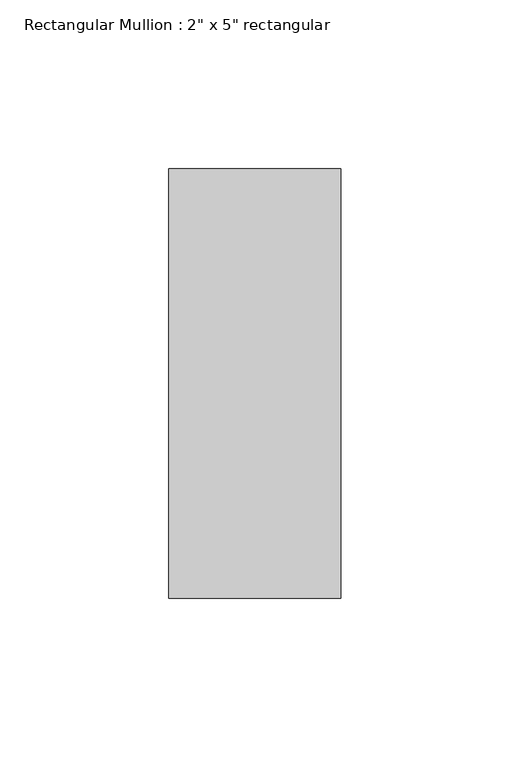
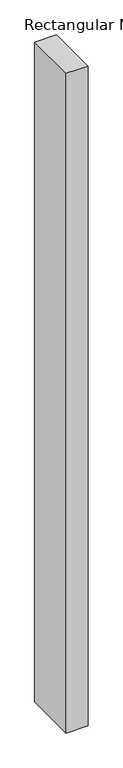
"""IFC4 building model written with IfcOpenShell, lengths in millimetres: member geometry."""

from ifc_helpers import new_model, si_unit, frame, origin, place, context, project, spatial, polyline, outline, extrude, source, transform, mapped, element, save


def member_15712088(model_context):
    return source(origin(), model_context, "Body", "SweptSolid", [
        extrude(outline(polyline([(0.0, 63.5), (0.0, -63.5), (-50.8, -63.5), (-50.8, 63.5), (0.0, 63.5)])), frame((0.0, 0.0, -1625.6), z_axis=(0.0, 0.0, 1.0), x_axis=(1.0, 0.0, 0.0)), (0.0, 0.0, 1.0), 1625.6),
    ])


if __name__ == "__main__":
    model = new_model("IFC4")
    model_context = context("Model", 3, world=origin())
    ifc_project = project(units=[si_unit("LENGTHUNIT", "METRE", prefix="MILLI")], contexts=[model_context])
    site = spatial("IfcSite", under=ifc_project)
    building = spatial("IfcBuilding", under=site)
    placement = place(None, origin())
    member_shape = member_15712088(model_context)
    element("IfcMember", 1, ObjectType="Rectangular Mullion : 2\" x 5\" rectangular", at=placement, inside=building, context=model_context, shape_type="MappedRepresentation", body=[
        mapped(member_shape, transform((0.0, 0.0, 0.0), x_axis=(1.0, 0.0, 0.0), y_axis=(0.0, 1.0, 0.0), z_axis=(0.0, 0.0, 1.0))),
    ])
    save(model, "model.ifc")
